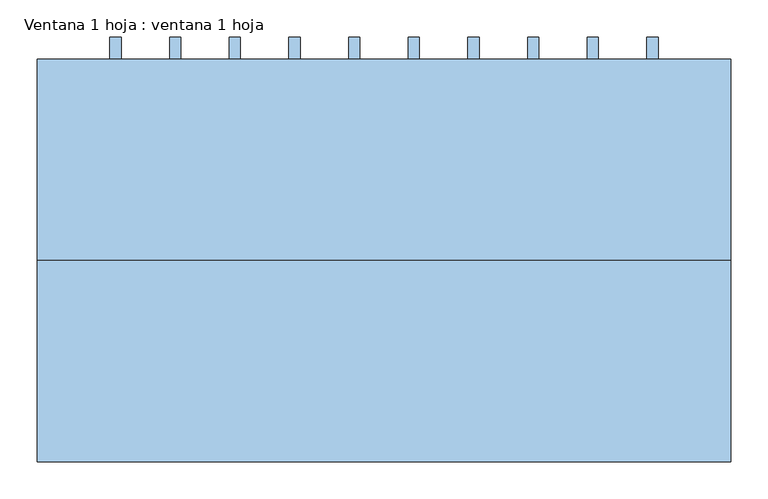
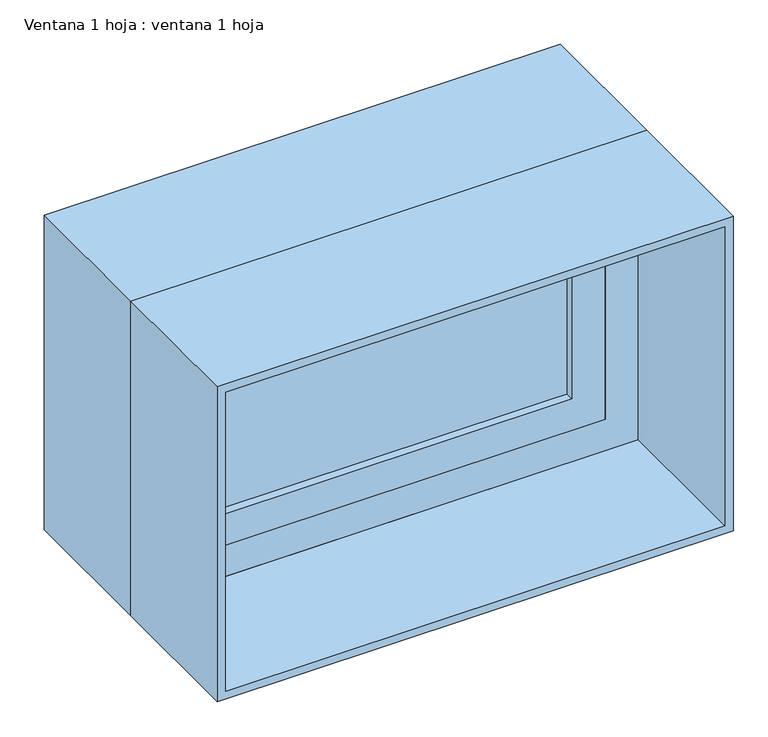
"""IFC4 building model written with IfcOpenShell, lengths in millimetres: window geometry, Ventana 1 hoja : ventana 1 hoja."""

from ifc_helpers import new_model, si_unit, frame, origin, place, context, project, spatial, polyline, outline, extrude, source, transform, mapped, element, save


def ventana_1_hoja_ventana_1_hoja_d774d1c7(model_context):
    return source(origin(), model_context, "Body", "SweptSolid", [
        extrude(outline(polyline([(367.5, 424.65), (367.5, 275.35), (352.5, 275.35), (352.5, 424.65), (367.5, 424.65)])), frame((0.0, 0.0, 915.0), z_axis=(0.0, 0.0, 1.0), x_axis=(1.0, 0.0, 0.0)), (0.0, 0.0, 1.0), 420.0),
        extrude(outline(polyline([(287.5, 424.65), (287.5, 275.35), (272.5, 275.35), (272.5, 424.65), (287.5, 424.65)])), frame((0.0, 0.0, 915.0), z_axis=(0.0, 0.0, 1.0), x_axis=(1.0, 0.0, 0.0)), (0.0, 0.0, 1.0), 420.0),
        extrude(outline(polyline([(207.5, 424.65), (207.5, 275.35), (192.5, 275.35), (192.5, 424.65), (207.5, 424.65)])), frame((0.0, 0.0, 915.0), z_axis=(0.0, 0.0, 1.0), x_axis=(1.0, 0.0, 0.0)), (0.0, 0.0, 1.0), 420.0),
        extrude(outline(polyline([(127.5, 424.65), (127.5, 275.35), (112.5, 275.35), (112.5, 424.65), (127.5, 424.65)])), frame((0.0, 0.0, 915.0), z_axis=(0.0, 0.0, 1.0), x_axis=(1.0, 0.0, 0.0)), (0.0, 0.0, 1.0), 420.0),
        extrude(outline(polyline([(47.5, 424.65), (47.5, 275.35), (32.5, 275.35), (32.5, 424.65), (47.5, 424.65)])), frame((0.0, 0.0, 915.0), z_axis=(0.0, 0.0, 1.0), x_axis=(1.0, 0.0, 0.0)), (0.0, 0.0, 1.0), 420.0),
        extrude(outline(polyline([(-32.5, 424.65), (-32.5, 275.35), (-47.5, 275.35), (-47.5, 424.65), (-32.5, 424.65)])), frame((0.0, 0.0, 915.0), z_axis=(0.0, 0.0, 1.0), x_axis=(1.0, 0.0, 0.0)), (0.0, 0.0, 1.0), 420.0),
        extrude(outline(polyline([(-112.5, 424.65), (-112.5, 275.35), (-127.5, 275.35), (-127.5, 424.65), (-112.5, 424.65)])), frame((0.0, 0.0, 915.0), z_axis=(0.0, 0.0, 1.0), x_axis=(1.0, 0.0, 0.0)), (0.0, 0.0, 1.0), 420.0),
        extrude(outline(polyline([(-192.5, 424.65), (-192.5, 275.35), (-207.5, 275.35), (-207.5, 424.65), (-192.5, 424.65)])), frame((0.0, 0.0, 915.0), z_axis=(0.0, 0.0, 1.0), x_axis=(1.0, 0.0, 0.0)), (0.0, 0.0, 1.0), 420.0),
        extrude(outline(polyline([(-272.5, 424.65), (-272.5, 275.35), (-287.5, 275.35), (-287.5, 424.65), (-272.5, 424.65)])), frame((0.0, 0.0, 915.0), z_axis=(0.0, 0.0, 1.0), x_axis=(1.0, 0.0, 0.0)), (0.0, 0.0, 1.0), 420.0),
        extrude(outline(polyline([(-352.5, 424.65), (-352.5, 275.35), (-367.5, 275.35), (-367.5, 424.65), (-352.5, 424.65)])), frame((0.0, 0.0, 915.0), z_axis=(0.0, 0.0, 1.0), x_axis=(1.0, 0.0, 0.0)), (0.0, 0.0, 1.0), 420.0),
        extrude(outline(polyline([(-100.0, 325.0), (-150.0, 325.0), (-150.0, 375.0), (-100.0, 375.0), (-100.0, 325.0)])), frame((0.0, 0.0, 815.0), z_axis=(0.0, 0.0, 1.0), x_axis=(1.0, 0.0, 0.0)), (0.0, 0.0, 1.0), 50.0),
        extrude(outline(polyline([(150.0, 325.0), (100.0, 325.0), (100.0, 375.0), (150.0, 375.0), (150.0, 325.0)])), frame((0.0, 0.0, 815.0), z_axis=(0.0, 0.0, 1.0), x_axis=(1.0, 0.0, 0.0)), (0.0, 0.0, 1.0), 50.0),
        extrude(outline(polyline([(1385.0, 450.0), (1385.0, -450.0), (865.0, -450.0), (865.0, 450.0), (1385.0, 450.0)]), holes=[polyline([(1335.0, 400.0), (915.0, 400.0), (915.0, -400.0), (1335.0, -400.0), (1335.0, 400.0)])]), frame((0.0, 325.0, 0.0), z_axis=(0.0, 1.0, 0.0), x_axis=(0.0, 0.0, 1.0)), (0.0, 0.0, 1.0), 50.0),
        extrude(outline(polyline([(1325.0, 390.0), (1325.0, -390.0), (875.0, -390.0), (875.0, 390.0), (1325.0, 390.0)]), holes=[polyline([(1265.0, 330.0), (935.0, 330.0), (935.0, -330.0), (1265.0, -330.0), (1265.0, 330.0)])]), frame((0.0, 125.0, 0.0), z_axis=(0.0, 1.0, 0.0), x_axis=(0.0, 0.0, 1.0)), (0.0, 0.0, 1.0), 60.0),
        extrude(outline(polyline([(1400.0, 465.0), (1400.0, -465.0), (800.0, -465.0), (800.0, 465.0), (1400.0, 465.0)]), holes=[polyline([(815.0, 450.0), (815.0, -450.0), (1385.0, -450.0), (1385.0, 450.0), (815.0, 450.0)])]), frame((0.0, -145.0, 0.0), z_axis=(0.0, 1.0, 0.0), x_axis=(0.0, 0.0, 1.0)), (0.0, 0.0, 1.0), 270.0),
        extrude(outline(polyline([(1400.0, -465.0), (800.0, -465.0), (800.0, 465.0), (1400.0, 465.0), (1400.0, -465.0)]), holes=[polyline([(815.0, 450.0), (815.0, -450.0), (1385.0, -450.0), (1385.0, 450.0), (815.0, 450.0)])]), frame((0.0, 125.0, 0.0), z_axis=(0.0, 1.0, 0.0), x_axis=(0.0, 0.0, 1.0)), (0.0, 0.0, 1.0), 270.0),
        extrude(outline(polyline([(330.0, 140.0), (-330.0, 140.0), (-330.0, 170.0), (330.0, 170.0), (330.0, 140.0)])), frame((0.0, 0.0, 935.0), z_axis=(0.0, 0.0, 1.0), x_axis=(1.0, 0.0, 0.0)), (0.0, 0.0, 1.0), 330.0),
        extrude(outline(polyline([(1385.0, -450.0), (815.0, -450.0), (815.0, 450.0), (1385.0, 450.0), (1385.0, -450.0)]), holes=[polyline([(1325.0, 390.0), (875.0, 390.0), (875.0, -390.0), (1325.0, -390.0), (1325.0, 390.0)])]), frame((0.0, 125.0, 0.0), z_axis=(0.0, 1.0, 0.0), x_axis=(0.0, 0.0, 1.0)), (0.0, 0.0, 1.0), 60.0),
    ])


if __name__ == "__main__":
    model = new_model("IFC4")
    model_context = context("Model", 3, world=origin())
    ifc_project = project(units=[si_unit("LENGTHUNIT", "METRE", prefix="MILLI")], contexts=[model_context])
    site = spatial("IfcSite", under=ifc_project)
    building = spatial("IfcBuilding", under=site)
    placement = place(None, origin())
    ventana_1_hoja_ventana_1_hoja_shape = ventana_1_hoja_ventana_1_hoja_d774d1c7(model_context)
    element("IfcWindow", 1, ObjectType="Ventana 1 hoja : ventana 1 hoja", at=placement, inside=building, context=model_context, shape_type="MappedRepresentation", body=[
        mapped(ventana_1_hoja_ventana_1_hoja_shape, transform((0.0, 0.0, 0.0), x_axis=(1.0, 0.0, 0.0), y_axis=(0.0, 1.0, 0.0), z_axis=(0.0, 0.0, 1.0))),
    ])
    save(model, "model.ifc")
